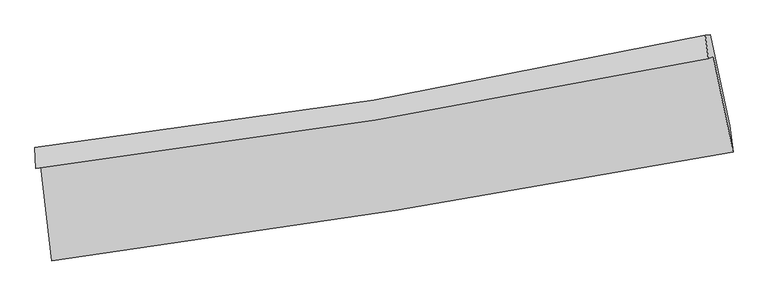
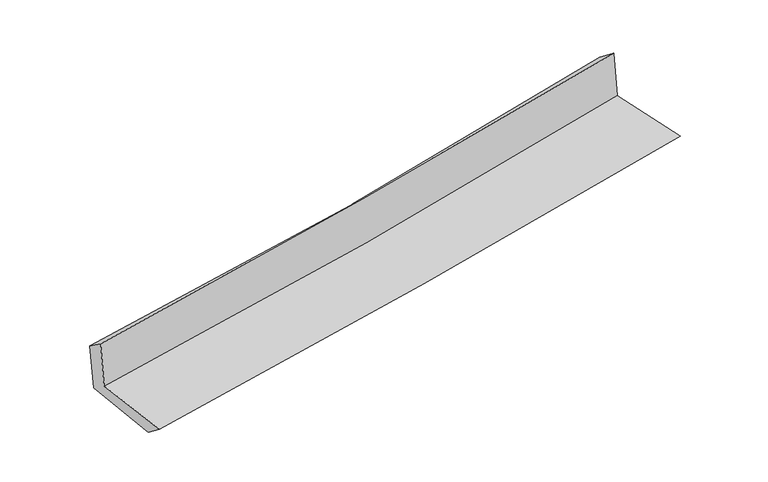
"""IFC4 building model written with IfcOpenShell, lengths in millimetres: proxy geometry."""

from ifc_helpers import new_model, si_unit, frame, origin, place, context, project, spatial, source, transform, mapped, element, save
from ifc_brep_helpers import plane_surface, spline_curve, spline_surface, advanced_brep


def generic_models_c6e957cc(model_context):
    return source(origin(), model_context, "Body", "AdvancedBrep", [
        advanced_brep(
        [(-2386.6160214, -1871.3538237, 1669.3783247), (-2309.8309643, -2533.5383074, 1663.085772), (2460.210642, -1770.4242437, 2111.4646943), (2322.5345138, -1102.8206128, 2112.1772293), (-2422.4711772, -1883.973508, 2061.0440283), (2286.7300681, -1115.4224491, 2503.2889985), (-2429.2439349, -1740.1226121, 1958.3947796), (2265.3891958, -952.3488983, 2378.304758), (-2393.1743611, -1735.7844266, 1574.4809624), (2300.3413239, -948.3234555, 2013.8776921), (-2316.3855961, -2382.1719578, 1549.0688854), (2436.0670399, -1585.3414465, 1968.8221731)],
        [
            (0, 1),
            (1, 2, spline_curve(3, [(-2309.8309643, -2533.5383074, 1663.085772), (-1506.989711303, -2426.5138901, 1738.751951516), (-705.323032153, -2308.895989686, 1814.207059611), (884.658770332, -2054.235431071, 1963.660938213), (1673.00596017, -1917.48197686, 2037.665470642), (2460.210642, -1770.4242437, 2111.4646943)], [4, 2, 4], [0.0, 7.965625897418361, 15.82176781499165])),
            (2, 3),
            (3, 0, spline_curve(3, [(2322.5345138, -1102.8206128, 2112.1772293), (1548.433453243, -1261.62044913, 2039.368800263), (771.687684445, -1404.730948806, 1966.321681248), (-797.954933319, -1661.349029274, 1818.728745791), (-1590.926009419, -1774.416266526, 1744.176229752), (-2386.6160214, -1871.3538237, 1669.3783247)], [4, 2, 4], [0.0, 7.856141917573289, 15.82176781499165])),
            (4, 0),
            (3, 5),
            (5, 4, spline_curve(3, [(2286.7300681, -1115.4224491, 2503.2889985), (1511.462447868, -1274.632871074, 2443.223546314), (734.125195353, -1417.951551158, 2376.637530268), (-835.550466084, -1674.581261599, 2229.405548913), (-1627.946961982, -1787.446267927, 2148.576575042), (-2422.4711772, -1883.973508, 2061.0440283)], [4, 2, 4], [0.0, 7.808377389971056, 15.725573108551222])),
            (6, 4),
            (5, 7),
            (7, 6, spline_curve(3, [(2265.3891958, -952.3488983, 2378.304758), (1495.779716844, -1124.332162411, 2309.80109366), (722.488377888, -1275.66125117, 2240.802355072), (-842.285995728, -1538.832177908, 2100.846257403), (-1633.872367178, -1650.094326886, 2029.875003083), (-2429.2439349, -1740.1226121, 1958.3947796)], [4, 2, 4], [0.0, 7.7982738641771085, 15.70522525321691])),
            (8, 6),
            (7, 9),
            (9, 8, spline_curve(3, [(2300.3413239, -948.3234555, 2013.8776921), (1530.916832134, -1120.331671052, 1942.171288493), (757.810462973, -1271.647619811, 1869.958599797), (-806.591428299, -1534.715367686, 1723.507232906), (-1597.990287523, -1645.886409692, 1649.254345166), (-2393.1743611, -1735.7844266, 1574.4809624)], [4, 2, 4], [0.0, 7.788685454836239, 15.685914809503185])),
            (10, 8),
            (9, 11),
            (11, 10, spline_curve(3, [(2436.0670399, -1585.3414465, 1968.8221731), (1655.571965321, -1752.517205851, 1892.516209876), (872.048326165, -1902.170233149, 1819.602204288), (-712.017551579, -2168.27220366, 1679.589241692), (-1512.644790958, -2284.229347071, 1612.585484706), (-2316.3855961, -2382.1719578, 1549.0688854)], [4, 2, 4], [0.0, 7.835664704824556, 15.780528017008375])),
            (1, 10),
            (11, 2),
        ],
        [
            spline_surface(3, 3, [[(-2386.6160214, -1871.3538237, 1669.3783247), (-1590.926009531, -1774.416266471, 1744.176229704), (-797.954933226, -1661.34902923, 1818.728745669), (771.687684354, -1404.73094885, 1966.321681369), (1548.433453137, -1261.620449088, 2039.368800269), (2322.5345138, -1102.8206128, 2112.1772293)], [(-2361.021002364, -2092.081984959, 1667.280807128), (-1562.947243451, -1991.782141056, 1742.368136933), (-767.077632888, -1877.198016091, 1817.22151698), (809.344713054, -1621.232442922, 1965.434766941), (1589.957622149, -1480.240958341, 2038.801023723), (2368.426556547, -1325.355156431, 2111.939717624)], [(-2335.425983336, -2312.810146141, 1665.183289572), (-1534.968477379, -2209.148015565, 1740.560044177), (-736.200332582, -2093.047002891, 1815.714288361), (847.001741722, -1837.733936933, 1964.547852581), (1631.481791121, -1698.861467603, 2038.233247204), (2414.318599253, -1547.889700069, 2111.702205976)], [(-2309.8309643, -2533.5383074, 1663.085772), (-1506.9897113, -2426.51389015, 1738.751951406), (-705.323032244, -2308.895989753, 1814.207059673), (884.658770422, -2054.235431005, 1963.660938153), (1673.005960134, -1917.481976857, 2037.665470659), (2460.210642, -1770.4242437, 2111.4646943)]], [4, 4], [4, 2, 4], [0.0, 2.1541938870019015], [0.0, 7.965625897418361, 15.82176781499165]),
            spline_surface(3, 3, [[(-2422.4711772, -1883.973508, 2061.0440283), (-1627.946961986, -1787.446267932, 2148.576575105), (-835.550465998, -1674.581261645, 2229.405548983), (734.125195269, -1417.951551113, 2376.637530199), (1511.462447742, -1274.632871111, 2443.223546372), (2286.7300681, -1115.4224491, 2503.2889985)], [(-2410.519458594, -1879.766946554, 1930.488793763), (-1615.606644496, -1783.102934099, 2013.776459967), (-823.01862176, -1670.170517504, 2092.513281231), (746.646024944, -1413.544683689, 2239.865580609), (1523.786116216, -1270.295397114, 2308.60529766), (2298.664883342, -1111.22183701, 2372.918408756)], [(-2398.567740006, -1875.560385146, 1799.933559237), (-1603.266327022, -1778.759600304, 1878.976344841), (-810.486777464, -1665.759773371, 1955.621013421), (759.166854678, -1409.137816274, 2103.09363096), (1536.109784663, -1265.957923085, 2173.987048981), (2310.599698558, -1107.02122489, 2242.547819044)], [(-2386.6160214, -1871.3538237, 1669.3783247), (-1590.926009531, -1774.416266471, 1744.176229704), (-797.954933226, -1661.34902923, 1818.728745669), (771.687684354, -1404.73094885, 1966.321681369), (1548.433453137, -1261.620449088, 2039.368800269), (2322.5345138, -1102.8206128, 2112.1772293)]], [4, 4], [4, 2, 4], [0.0, 1.3531055042292324], [0.0, 7.9171957185801665, 15.725573108551222]),
            spline_surface(3, 3, [[(-2429.2439349, -1740.1226121, 1958.3947796), (-1633.872367075, -1650.094326788, 2029.875002986), (-842.285995731, -1538.832177833, 2100.846257311), (722.488377891, -1275.661251243, 2240.802355163), (1495.77971679, -1124.332162283, 2309.801093624), (2265.3891958, -952.3488983, 2378.304758)], [(-2426.986348998, -1788.07291072, 1992.611195847), (-1631.897232044, -1695.878307156, 2069.442193706), (-840.040819157, -1584.081872424, 2143.69935454), (726.367317013, -1323.091351186, 2286.080746846), (1501.007293768, -1174.43239855, 2354.275244555), (2272.502819893, -1006.706748557, 2419.966171515)], [(-2424.728763102, -1836.02320938, 2026.827612053), (-1629.922097018, -1741.662287564, 2109.009384384), (-837.795642572, -1629.331567055, 2186.552451754), (730.246256146, -1370.52145117, 2331.359138516), (1506.234870765, -1224.532634844, 2398.749395441), (2279.616444007, -1061.064598843, 2461.627584985)], [(-2422.4711772, -1883.973508, 2061.0440283), (-1627.946961986, -1787.446267932, 2148.576575105), (-835.550465998, -1674.581261645, 2229.405548983), (734.125195269, -1417.951551113, 2376.637530199), (1511.462447742, -1274.632871111, 2443.223546372), (2286.7300681, -1115.4224491, 2503.2889985)]], [4, 4], [4, 2, 4], [0.0, 0.6298906708636557], [0.0, 7.906951389039801, 15.70522525321691]),
            spline_surface(3, 3, [[(-2393.1743611, -1735.7844266, 1574.4809624), (-1597.990287537, -1645.886409567, 1649.254345059), (-806.591428289, -1534.71536781, 1723.507232876), (757.810462964, -1271.647619688, 1869.958599826), (1530.916832023, -1120.331671087, 1942.171288586), (2300.3413239, -948.3234555, 2013.8776921)], [(-2405.197552369, -1737.23048845, 1702.452234785), (-1609.950980718, -1647.289048657, 1776.127897686), (-818.489617437, -1536.087637816, 1849.286907685), (746.036434606, -1272.985496871, 1993.573184935), (1519.204460258, -1121.665168163, 2064.714556928), (2288.690614512, -949.665269777, 2135.35338073)], [(-2417.220743631, -1738.67655025, 1830.423507215), (-1621.911673893, -1648.691687698, 1903.001450359), (-830.387806583, -1537.459907827, 1975.066582503), (734.262406249, -1274.32337406, 2117.187770054), (1507.492088556, -1122.998665207, 2187.257825281), (2277.039905188, -951.007084023, 2256.82906937)], [(-2429.2439349, -1740.1226121, 1958.3947796), (-1633.872367075, -1650.094326788, 2029.875002986), (-842.285995731, -1538.832177833, 2100.846257311), (722.488377891, -1275.661251243, 2240.802355163), (1495.77971679, -1124.332162283, 2309.801093624), (2265.3891958, -952.3488983, 2378.304758)]], [4, 4], [4, 2, 4], [0.0, 1.2330702102731608], [0.0, 7.897229354666946, 15.685914809503185]),
            spline_surface(3, 3, [[(-2316.3855961, -2382.1719578, 1549.0688854), (-1512.644791051, -2284.229347064, 1612.585484801), (-712.017551567, -2168.272203767, 1679.589241649), (872.048326153, -1902.170233043, 1819.60220433), (1655.571965328, -1752.517205935, 1892.51620999), (2436.0670399, -1585.3414465, 1968.8221731)], [(-2341.98185109, -2166.709447395, 1557.53957775), (-1541.09328987, -2071.448367894, 1624.808438237), (-743.54217713, -1957.086591789, 1694.22857204), (833.969038435, -1691.9960286, 1836.387669477), (1614.020254245, -1541.788694324, 1909.067902837), (2390.825134586, -1373.002116172, 1983.840679415)], [(-2367.57810611, -1951.246937005, 1566.01027005), (-1569.541788718, -1858.667388738, 1637.031391624), (-775.066802727, -1745.900979787, 1708.867902485), (795.889750683, -1481.821824132, 1853.173134679), (1572.468543106, -1331.060182698, 1925.619595739), (2345.583229214, -1160.662785829, 1998.859185785)], [(-2393.1743611, -1735.7844266, 1574.4809624), (-1597.990287537, -1645.886409567, 1649.254345059), (-806.591428289, -1534.71536781, 1723.507232876), (757.810462964, -1271.647619688, 1869.958599826), (1530.916832023, -1120.331671087, 1942.171288586), (2300.3413239, -948.3234555, 2013.8776921)]], [4, 4], [4, 2, 4], [0.0, 2.107390531256565], [0.0, 7.94486331218382, 15.780528017008375]),
            spline_surface(3, 3, [[(-2309.8309643, -2533.5383074, 1663.085772), (-1506.9897113, -2426.51389015, 1738.751951406), (-705.323032244, -2308.895989753, 1814.207059673), (884.658770422, -2054.235431005, 1963.660938153), (1673.005960134, -1917.481976857, 2037.665470659), (2460.210642, -1770.4242437, 2111.4646943)], [(-2312.015841584, -2483.082857523, 1625.080143127), (-1508.874737901, -2379.085709111, 1696.696462532), (-707.554538684, -2262.021394413, 1769.334453685), (880.455289001, -2003.547031674, 1915.641360232), (1667.194628518, -1862.493719869, 1989.282383796), (2452.16277462, -1708.729977953, 2063.91718726)], [(-2314.200718816, -2432.627407677, 1587.074514273), (-1510.759764449, -2331.657528103, 1654.640973676), (-709.786045127, -2215.146799106, 1724.461847637), (876.251807575, -1952.858632375, 1867.621782251), (1661.383296943, -1807.505462923, 1940.899296853), (2444.11490728, -1647.035712247, 2016.36968014)], [(-2316.3855961, -2382.1719578, 1549.0688854), (-1512.644791051, -2284.229347064, 1612.585484801), (-712.017551567, -2168.272203767, 1679.589241649), (872.048326153, -1902.170233043, 1819.60220433), (1655.571965328, -1752.517205935, 1892.51620999), (2436.0670399, -1585.3414465, 1968.8221731)]], [4, 4], [4, 2, 4], [0.0, 0.6633712714835995], [0.0, 8.002982314013659, 15.895967200875749]),
            plane_surface(frame((2345.2121306, -1245.7801843, 2181.3225909), z_axis=(0.9749136439407452, 0.20094877162404323, 0.09572344561791812), x_axis=(-0.09546593027642546, -0.010994828208606, 0.9953719756498673))),
            plane_surface(frame((-2376.2870092, -2024.4907726, 1745.908792), z_axis=(-0.9890282563581678, -0.11378972000224556, -0.09420725952352582), x_axis=(-0.1151802566372077, 0.9932997598180533, 0.009439047959650157))),
        ],
        [
            (0, [[1, 2, 3, 4]]),
            (1, [[5, -4, 6, 7]]),
            (2, [[8, -7, 9, 10]]),
            (3, [[11, -10, 12, 13]]),
            (4, [[14, -13, 15, 16]]),
            (5, [[17, -16, 18, -2]]),
            (6, [[-12, -9, -6, -3, -18, -15]]),
            (7, [[-1, -5, -8, -11, -14, -17]]),
        ],
    ),
    ])


if __name__ == "__main__":
    model = new_model("IFC4")
    model_context = context("Model", 3, world=origin())
    ifc_project = project(units=[si_unit("LENGTHUNIT", "METRE", prefix="MILLI")], contexts=[model_context])
    site = spatial("IfcSite", under=ifc_project)
    building = spatial("IfcBuilding", under=site)
    placement = place(None, origin())
    generic_models_shape = generic_models_c6e957cc(model_context)
    element("IfcBuildingElementProxy", 1, Name="Generic Models", at=placement, inside=building, context=model_context, shape_type="MappedRepresentation", body=[
        mapped(generic_models_shape, transform((0.0, 0.0, 0.0), x_axis=(1.0, 0.0, 0.0), y_axis=(0.0, 1.0, 0.0), z_axis=(0.0, 0.0, 1.0))),
    ])
    save(model, "model.ifc")
